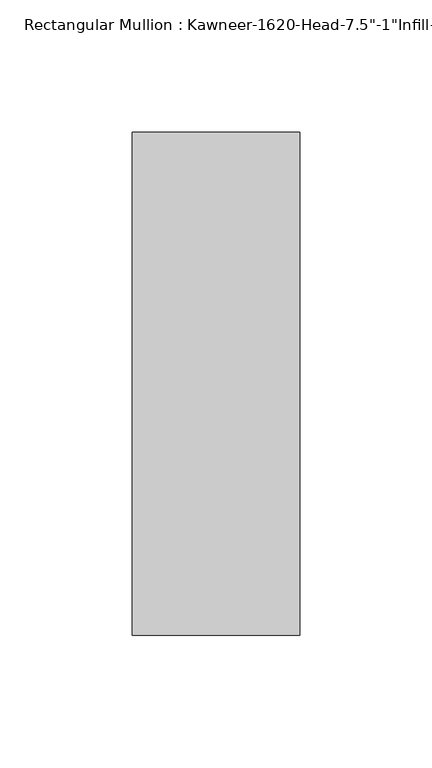
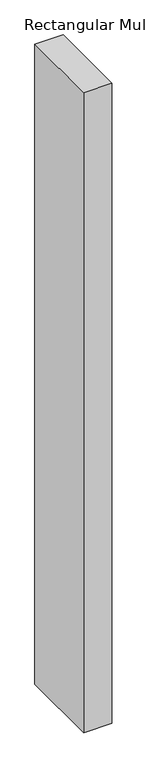
"""IFC4 building model written with IfcOpenShell, lengths in millimetres: member geometry."""

import ifcopenshell
import ifcopenshell.guid

model = None  # the IFC model being written
_history = None  # IfcOwnerHistory: only IFC2X3 demands one
_inside = {}  # id of a spatial element -> (the spatial element, [elements in it])
_under = {}  # id of a project, library or spatial element -> (it, [spatial elements below it])
_declared = {}  # id of a project -> (the project, [libraries it declares])
_typed = {}  # id of a type object -> (the type object, [elements of that type])
_made_of = {}  # id of a material, layer set ... -> (it, [elements and type objects made of it])


def new_model(schema):
    """Start an empty IFC model of exactly this schema.

    Asked for "IFC4X3", IfcOpenShell would pick the latest addendum, in which some entities
    have other attributes; the version numbers below select the first issue.
    IFC2X3 requires an IfcOwnerHistory on every rooted entity: one is made here for all.
    """
    global model, _history
    if schema == "IFC4X3":
        model = ifcopenshell.file(schema_version=(4, 3, 0, 0))
    else:
        model = ifcopenshell.file(schema=schema)
    _inside.clear()
    _under.clear()
    _declared.clear()
    _typed.clear()
    _made_of.clear()
    _history = None
    if model.schema == "IFC2X3":
        org = make("IfcOrganization", Name="unknown")
        user = make(
            "IfcPersonAndOrganization",
            ThePerson=make("IfcPerson", FamilyName="unknown"),
            TheOrganization=org,
        )
        app = make(
            "IfcApplication",
            ApplicationDeveloper=org,
            Version="unknown",
            ApplicationFullName="unknown",
            ApplicationIdentifier="unknown",
        )
        _history = make(
            "IfcOwnerHistory",
            OwningUser=user,
            OwningApplication=app,
            ChangeAction="ADDED",
            CreationDate=0,
        )
    return model


def make(cls, **values):
    """One entity of the class cls with the attributes given. An attribute that is None is left unset."""
    return model.create_entity(
        cls, **{name: value for name, value in values.items() if value is not None}
    )


def rooted(cls, **values):
    """An entity with a GlobalId (a new one), such as an element, a storey or a relation."""
    return make(cls, GlobalId=ifcopenshell.guid.new(), OwnerHistory=_history, **values)


def si_unit(unit_type, name, prefix=None):
    """IfcSIUnit, for example si_unit("LENGTHUNIT", "METRE", prefix="MILLI")."""
    return make("IfcSIUnit", UnitType=unit_type, Prefix=prefix, Name=name)


def assignment(units):
    """IfcUnitAssignment: the units of a project."""
    return None if units is None else make("IfcUnitAssignment", Units=units)


def point(xyz):
    """IfcCartesianPoint."""
    return None if xyz is None else make("IfcCartesianPoint", Coordinates=xyz)


def direction(xyz):
    """IfcDirection."""
    return None if xyz is None else make("IfcDirection", DirectionRatios=xyz)


def frame(location, z_axis=None, x_axis=None):
    """IfcAxis2Placement3D, a coordinate frame: its origin and axes. An axis left out is left unset."""
    return make(
        "IfcAxis2Placement3D",
        Location=point(location),
        Axis=direction(z_axis),
        RefDirection=direction(x_axis),
    )


def origin():
    """The frame at (0, 0, 0) with its axes left unset."""
    return frame((0.0, 0.0, 0.0))


def place(relative_to, where):
    """IfcLocalPlacement: puts the frame where relative to a parent placement (None: the world)."""
    return make(
        "IfcLocalPlacement", PlacementRelTo=relative_to, RelativePlacement=where
    )


def context(
    kind, dimensions, precision=None, world=None, true_north=None, identifier=None
):
    """IfcGeometricRepresentationContext, for example the 3D "Model" context."""
    return make(
        "IfcGeometricRepresentationContext",
        ContextIdentifier=identifier,
        ContextType=kind,
        CoordinateSpaceDimension=dimensions,
        Precision=precision,
        WorldCoordinateSystem=world,
        TrueNorth=true_north,
    )


def project(units=None, contexts=None):
    """IfcProject with its units and contexts."""
    return rooted(
        "IfcProject",
        Name="project",
        RepresentationContexts=contexts,
        UnitsInContext=assignment(units),
    )


def spatial(cls, under=None, at=None, **own):
    """A site, building, storey or space (cls), placed at a placement, below another one or the project."""
    s = rooted(cls, ObjectPlacement=at, **own)
    if under is not None:
        _under.setdefault(under.id(), (under, []))[1].append(s)
    return s


def polyline(points):
    """IfcPolyline through the points."""
    return make("IfcPolyline", Points=[point(p) for p in points])


def outline(outer, holes=None, kind="AREA"):
    """IfcArbitraryClosedProfileDef: a profile drawn as a closed curve; with holes, ...WithVoids."""
    if holes is None:
        return make("IfcArbitraryClosedProfileDef", ProfileType=kind, OuterCurve=outer)
    return make(
        "IfcArbitraryProfileDefWithVoids",
        ProfileType=kind,
        OuterCurve=outer,
        InnerCurves=holes,
    )


def extrude(swept, where, along, depth):
    """IfcExtrudedAreaSolid: the profile swept, set in the frame where, extruded along a direction by depth."""
    return make(
        "IfcExtrudedAreaSolid",
        SweptArea=swept,
        Position=where,
        ExtrudedDirection=direction(along),
        Depth=depth,
    )


def shape(context_of_items, identifier, shape_type, items):
    """IfcShapeRepresentation: the items that make up one representation, for example the "Body"."""
    return make(
        "IfcShapeRepresentation",
        ContextOfItems=context_of_items,
        RepresentationIdentifier=identifier,
        RepresentationType=shape_type,
        Items=items,
    )


def source(mapping_origin, context_of_items, identifier, shape_type, items):
    """IfcRepresentationMap: a shape defined once, which mapped items show again and again."""
    return make(
        "IfcRepresentationMap",
        MappingOrigin=mapping_origin,
        MappedRepresentation=shape(context_of_items, identifier, shape_type, items),
    )


def transform(
    local_origin,
    x_axis=None,
    y_axis=None,
    z_axis=None,
    scale=None,
    scale2=None,
    scale3=None,
    uniform=True,
):
    """IfcCartesianTransformationOperator3D, or its non-uniform kind. x_axis, y_axis, z_axis: its Axis1, 2, 3."""
    if uniform:
        return make(
            "IfcCartesianTransformationOperator3D",
            Axis1=direction(x_axis),
            Axis2=direction(y_axis),
            LocalOrigin=point(local_origin),
            Scale=scale,
            Axis3=direction(z_axis),
        )
    return make(
        "IfcCartesianTransformationOperator3DnonUniform",
        Axis1=direction(x_axis),
        Axis2=direction(y_axis),
        LocalOrigin=point(local_origin),
        Scale=scale,
        Axis3=direction(z_axis),
        Scale2=scale2,
        Scale3=scale3,
    )


def mapped(mapping_source, mapping_target):
    """IfcMappedItem: shows the shape of a source again, moved by a transform."""
    return make(
        "IfcMappedItem", MappingSource=mapping_source, MappingTarget=mapping_target
    )


def made_of(thing, what):
    """Note that an element or type object is made of a material, layer set ...; save() writes the relation."""
    if what is not None:
        _made_of.setdefault(what.id(), (what, []))[1].append(thing)
    return thing


def element(
    cls,
    number,
    at=None,
    inside=None,
    cuts=None,
    type_object=None,
    material=None,
    context=None,
    identifier="Body",
    shape_type=None,
    held_by="IfcProductDefinitionShape",
    body=None,
    shapes=None,
    **own,
):
    """One element of the class cls, such as IfcWall. Its Tag is "e" and its number.

    at: its placement. inside: the storey or other place that contains it. cuts: it is an
    opening in that element (IfcRelVoidsElement). A single representation is given by context,
    identifier, shape_type and body (its items); several are given by shapes. held_by: the class
    of the entity that holds the representations. save() writes the other relations.
    """
    e = rooted(cls, Tag="e%d" % number, ObjectPlacement=at, **own)
    if body is not None:
        shapes = [shape(context, identifier, shape_type, body)]
    if shapes is not None:
        e.Representation = make(held_by, Representations=shapes)
    if inside is not None:
        _inside.setdefault(inside.id(), (inside, []))[1].append(e)
    if cuts is not None:
        rooted(
            "IfcRelVoidsElement", RelatingBuildingElement=cuts, RelatedOpeningElement=e
        )
    if type_object is not None:
        _typed.setdefault(type_object.id(), (type_object, []))[1].append(e)
    return made_of(e, material)


def aggregate(whole, parts):
    """IfcRelAggregates: a whole, such as a stair, and the parts it consists of."""
    return rooted("IfcRelAggregates", RelatingObject=whole, RelatedObjects=parts)


def save(model, path):
    """Write the relations noted so far, then the file.

    IfcRelAggregates (storeys below a building ...), IfcRelContainedInSpatialStructure (elements
    in a storey), IfcRelDefinesByType, IfcRelAssociatesMaterial and IfcRelDeclares: one each for
    every whole, place, type object, material and project.
    """
    for whole, parts in _under.values():
        aggregate(whole, parts)
    for where, things in _inside.values():
        rooted(
            "IfcRelContainedInSpatialStructure",
            RelatedElements=things,
            RelatingStructure=where,
        )
    for kind, things in _typed.values():
        rooted("IfcRelDefinesByType", RelatedObjects=things, RelatingType=kind)
    for what, things in _made_of.values():
        rooted("IfcRelAssociatesMaterial", RelatedObjects=things, RelatingMaterial=what)
    for by, libraries in _declared.values():
        rooted("IfcRelDeclares", RelatingContext=by, RelatedDefinitions=libraries)
    model.write(path)


def member_9d116913(model_context):
    return source(origin(), model_context, "Body", "SweptSolid", [
        extrude(outline(polyline([(-22.225, 38.1), (41.275, 38.1), (41.275, -152.4), (-22.225, -152.4), (-22.225, 38.1)])), frame((0.0, 0.0, -1524.0), z_axis=(0.0, 0.0, 1.0), x_axis=(1.0, 0.0, 0.0)), (0.0, 0.0, 1.0), 1524.0),
    ])


if __name__ == "__main__":
    model = new_model("IFC4")
    model_context = context("Model", 3, world=origin())
    ifc_project = project(units=[si_unit("LENGTHUNIT", "METRE", prefix="MILLI")], contexts=[model_context])
    site = spatial("IfcSite", under=ifc_project)
    building = spatial("IfcBuilding", under=site)
    placement = place(None, origin())
    member_shape = member_9d116913(model_context)
    element("IfcMember", 1, ObjectType="Rectangular Mullion : Kawneer-1620-Head-7.5\"-1\"Infill-1A", at=placement, inside=building, context=model_context, shape_type="MappedRepresentation", body=[
        mapped(member_shape, transform((0.0, 0.0, 0.0), x_axis=(1.0, 0.0, 0.0), y_axis=(0.0, 1.0, 0.0), z_axis=(0.0, 0.0, 1.0))),
    ])
    save(model, "model.ifc")
